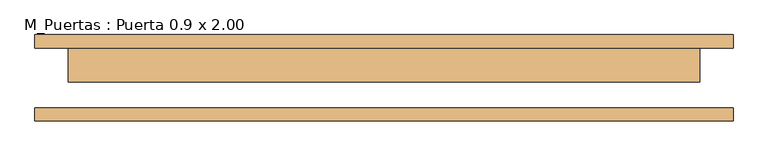
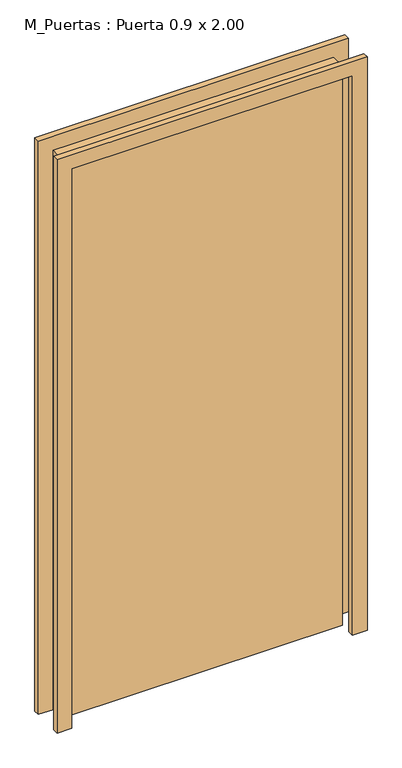
"""IFC4 building model written with IfcOpenShell, lengths in millimetres: door geometry, M_Puertas : Puerta 0.9 x 2.00."""

from ifc_helpers import new_model, si_unit, frame, origin, origin_with_axes, place, context, project, spatial, polyline, outline, extrude, source, transform, mapped, element, save


def m_puertas_puerta_0_9_x_2_00_16667950(model_context):
    return source(origin(), model_context, "Body", "SweptSolid", [
        extrude(outline(polyline([(2050.0, -525.0), (0.0, -525.0), (0.0, -475.0), (2000.0, -475.0), (2000.0, 475.0), (0.0, 475.0), (0.0, 525.0), (2050.0, 525.0), (2050.0, -525.0)])), frame((0.0, 45.0, 0.0), z_axis=(0.0, 1.0, 0.0), x_axis=(0.0, 0.0, 1.0)), (0.0, 0.0, 1.0), 20.0),
        extrude(outline(polyline([(2050.0, 525.0), (2050.0, -525.0), (0.0, -525.0), (0.0, -475.0), (2000.0, -475.0), (2000.0, 475.0), (0.0, 475.0), (0.0, 525.0), (2050.0, 525.0)])), frame((0.0, -65.0, 0.0), z_axis=(0.0, 1.0, 0.0), x_axis=(0.0, 0.0, 1.0)), (0.0, 0.0, 1.0), 20.0),
        extrude(outline(polyline([(475.0, -6.0), (-475.0, -6.0), (-475.0, 45.0), (475.0, 45.0), (475.0, -6.0)])), origin_with_axes(), (0.0, 0.0, 1.0), 2000.0),
    ])


if __name__ == "__main__":
    model = new_model("IFC4")
    model_context = context("Model", 3, world=origin())
    ifc_project = project(units=[si_unit("LENGTHUNIT", "METRE", prefix="MILLI")], contexts=[model_context])
    site = spatial("IfcSite", under=ifc_project)
    building = spatial("IfcBuilding", under=site)
    placement = place(None, origin())
    m_puertas_puerta_0_9_x_2_00_shape = m_puertas_puerta_0_9_x_2_00_16667950(model_context)
    element("IfcDoor", 1, ObjectType="M_Puertas : Puerta 0.9 x 2.00", at=placement, inside=building, context=model_context, shape_type="MappedRepresentation", body=[
        mapped(m_puertas_puerta_0_9_x_2_00_shape, transform((0.0, 0.0, 0.0), x_axis=(1.0, 0.0, 0.0), y_axis=(0.0, 1.0, 0.0), z_axis=(0.0, 0.0, 1.0))),
    ])
    save(model, "model.ifc")
